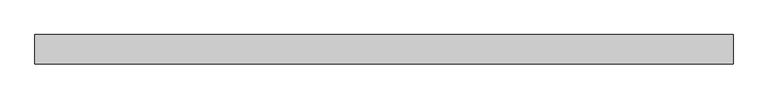
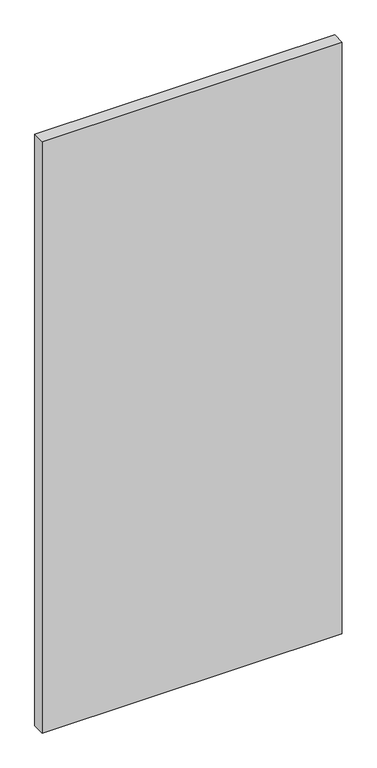
"""IFC4 building model written with IfcOpenShell, lengths in millimetres: proxy geometry."""

from ifc_helpers import new_model, si_unit, origin, origin_with_axes, place, context, project, spatial, polyline, outline, extrude, source, transform, mapped, element, save


def generic_models_5b5e69d9(model_context):
    return source(origin(), model_context, "Body", "SweptSolid", [
        extrude(outline(polyline([(-599.9999998, -24.9999995), (-600.0000002, 25.0000426), (599.9999998, 24.9999995), (600.0000002, -25.0000426), (-599.9999998, -24.9999995)])), origin_with_axes(), (0.0, 0.0, 1.0), 2500.0),
    ])


if __name__ == "__main__":
    model = new_model("IFC4")
    model_context = context("Model", 3, world=origin())
    ifc_project = project(units=[si_unit("LENGTHUNIT", "METRE", prefix="MILLI")], contexts=[model_context])
    site = spatial("IfcSite", under=ifc_project)
    building = spatial("IfcBuilding", under=site)
    placement = place(None, origin())
    generic_models_shape = generic_models_5b5e69d9(model_context)
    element("IfcBuildingElementProxy", 1, Name="Generic Models", at=placement, inside=building, context=model_context, shape_type="MappedRepresentation", body=[
        mapped(generic_models_shape, transform((0.0, 0.0, 0.0), x_axis=(1.0, 0.0, 0.0), y_axis=(0.0, 1.0, 0.0), z_axis=(0.0, 0.0, 1.0))),
    ])
    save(model, "model.ifc")
